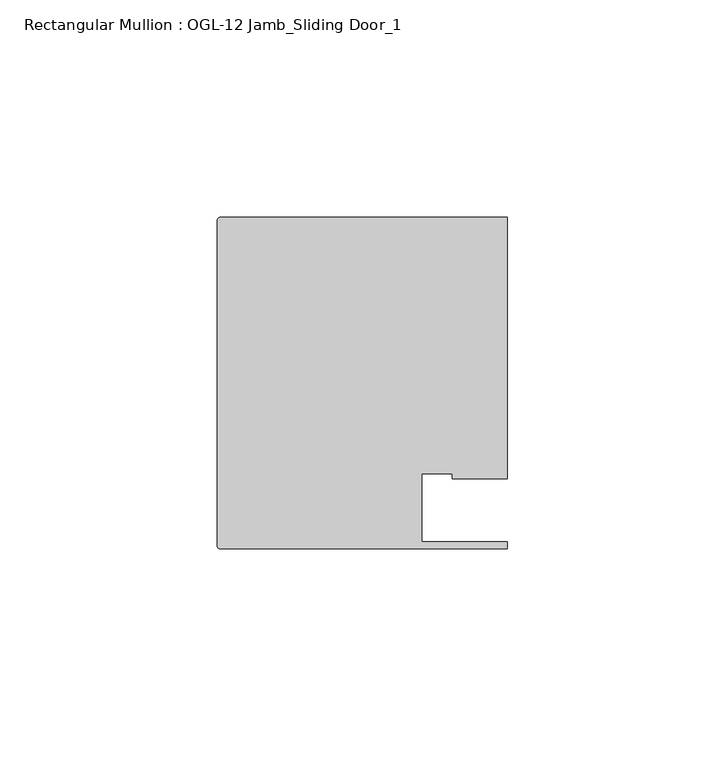
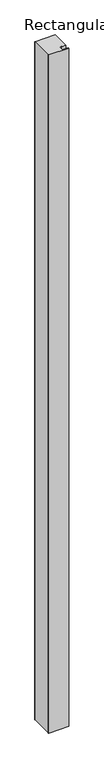
"""IFC4 building model written with IfcOpenShell, lengths in millimetres: member geometry, Rectangular Mullion : OGL-12 Jamb_Sliding Door_1."""

from ifc_helpers import new_model, si_unit, point, frame, frame_2d, origin, place, context, project, spatial, polyline, circle_curve, trimmed, segment, composite_curve, outline, extrude, source, transform, mapped, element, save


def rectangular_mullion_ogl_12_jamb_sliding_door_1_b9683aba(model_context):
    return source(origin(), model_context, "Body", "SweptSolid", [
        extrude(outline(composite_curve([segment(polyline([(47.0121851, -36.512516), (66.6649711, -36.512516), (66.6649711, -38.100016), (0.5953125, -38.100016)]), True, "CONTINUOUS"), segment(trimmed(circle_curve(frame_2d((0.5953125, -37.5047035)), 0.5953125), [point((0.5953125, -38.100016))], [point((0.0, -37.5047035))], False, "CARTESIAN"), True, "CONTINUOUS"), segment(polyline([(0.0, -37.5047035), (0.0, 37.5043667)]), True, "CONTINUOUS"), segment(trimmed(circle_curve(frame_2d((0.5953125, 37.5043667)), 0.5953125), [point((0.0, 37.5043667))], [point((0.5953125, 38.0996792))], False, "CARTESIAN"), True, "CONTINUOUS"), segment(polyline([(0.5953125, 38.0996792), (66.6740655, 38.0996792), (66.6740655, -21.9710976), (54.0386602, -21.9710976), (54.0386602, -20.8257348), (47.0121851, -20.8257348), (47.0121851, -36.512516)]), True, "CONTINUOUS")], self_intersect=False)), frame((0.0, 0.0, -2349.4916588), z_axis=(0.0, 0.0, 1.0), x_axis=(1.0, 0.0, 0.0)), (0.0, 0.0, 1.0), 2349.4916588),
    ])


if __name__ == "__main__":
    model = new_model("IFC4")
    model_context = context("Model", 3, world=origin())
    ifc_project = project(units=[si_unit("LENGTHUNIT", "METRE", prefix="MILLI")], contexts=[model_context])
    site = spatial("IfcSite", under=ifc_project)
    building = spatial("IfcBuilding", under=site)
    placement = place(None, origin())
    rectangular_mullion_ogl_12_jamb_sliding_door_1_shape = rectangular_mullion_ogl_12_jamb_sliding_door_1_b9683aba(model_context)
    element("IfcMember", 1, ObjectType="Rectangular Mullion : OGL-12 Jamb_Sliding Door_1", at=placement, inside=building, context=model_context, shape_type="MappedRepresentation", body=[
        mapped(rectangular_mullion_ogl_12_jamb_sliding_door_1_shape, transform((0.0, 0.0, 0.0), x_axis=(1.0, 0.0, 0.0), y_axis=(0.0, 1.0, 0.0), z_axis=(0.0, 0.0, 1.0))),
    ])
    save(model, "model.ifc")
